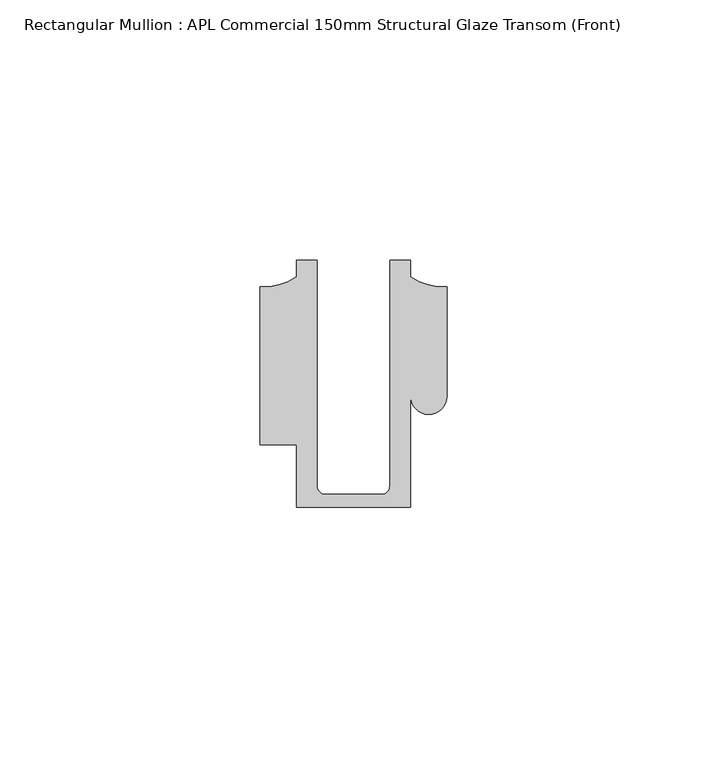
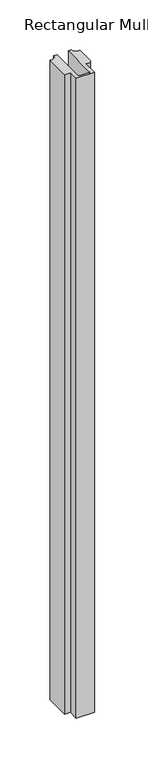
"""IFC4 building model written with IfcOpenShell, lengths in millimetres: member geometry, Rectangular Mullion : APL Commercial 150mm Structural Glaze Transom (Front)."""

from ifc_helpers import new_model, si_unit, frame, origin, place, context, project, spatial, polyline, circle_curve, source, transform, mapped, element, save
from ifc_brep_helpers import plane_surface, cylinder_surface, revolved_surface, advanced_brep


def rectangular_mullion_apl_commercial_150mm_structural_glaze_b3d9e630(model_context):
    return source(origin(), model_context, "Body", "AdvancedBrep", [
        advanced_brep(
        [(-11.0000151, -27.0, 0.0), (11.001071, -27.0, 0.0), (11.001071, -5.5848769, 0.0), (17.9999091, -5.6750512, 0.0), (17.9999542, 15.3797475, 0.0), (11.0000151, 17.3125212, 0.0), (11.0000151, 20.5, 0.0), (6.9999849, 20.5, 0.0), (6.9999849, -22.9973451, 0.0), (5.4999872, -24.5, 0.0), (-5.4999873, -24.5, 0.0), (-6.9999853, -22.9976091, 0.0), (-6.9999853, 20.5, 0.0), (-10.9999994, 20.5, 0.0), (-10.9999994, 17.3125325, 0.0), (-17.9999542, 15.3797475, 0.0), (-17.9999542, -15.0006281, 0.0), (-11.0000151, -15.0006281, 0.0), (-11.0000151, -27.0, -815.4605554), (-11.0000151, -15.0006281, -815.4605554), (-17.9999542, -15.0006281, -815.4605554), (-17.9999542, 15.3797475, -815.4605554), (-10.9999994, 17.3125325, -815.4605554), (-10.9999994, 20.5, -815.4605554), (-6.9999853, 20.5, -815.4605554), (-6.9999853, -22.9976091, -815.4605554), (-5.4999873, -24.5, -815.4605554), (5.4999872, -24.5, -815.4605554), (6.9999849, -22.9973451, -815.4605554), (6.9999849, 20.5, -815.4605554), (11.0000151, 20.5, -815.4605554), (11.0000151, 17.3125212, -815.4605554), (17.9999542, 15.3797475, -815.4605554), (17.9999542, -5.684606, -815.4605554), (11.001071, -5.5848769, -815.4605554), (11.001071, -27.0, -815.4605554)],
        [
            (0, 1),
            (1, 2),
            (2, 3, circle_curve(frame((14.4999091, -5.6750512, 0.0), z_axis=(0.0, 0.0, 1.0), x_axis=(-0.9999826028573957, 0.005898642432633649, 0.0)), 3.5)),
            (3, 4),
            (4, 5, circle_curve(frame((17.109817, 25.7981812, 0.0), z_axis=(0.0, 0.0, -1.0), x_axis=(0.0, -1.0, 0.0)), 10.4563907)),
            (5, 6),
            (6, 7),
            (7, 8),
            (8, 9, circle_curve(frame((5.4999872, -23.0, 0.0), z_axis=(0.0, 0.0, -1.0), x_axis=(0.9999999999999986, 5.463622857820516e-08, 0.0)), 1.5)),
            (9, 10),
            (10, 11, circle_curve(frame((-5.4999873, -23.0, 0.0), z_axis=(0.0, 0.0, -1.0), x_axis=(2.7320010112268853e-08, -0.9999999999999997, 0.0)), 1.5)),
            (11, 12),
            (12, 13),
            (13, 14),
            (14, 15, circle_curve(frame((-17.109817, 25.7981812, 0.0), z_axis=(0.0, 0.0, -1.0), x_axis=(0.0, -1.0, 0.0)), 10.4563907)),
            (15, 16),
            (16, 17),
            (17, 0),
            (18, 19),
            (19, 20),
            (20, 21),
            (21, 22, circle_curve(frame((-17.109817, 25.7981812, -815.4605554), z_axis=(0.0, 0.0, 1.0), x_axis=(0.0, -1.0, 0.0)), 10.4563907)),
            (22, 23),
            (23, 24),
            (24, 25),
            (25, 26, circle_curve(frame((-5.4999873, -23.0, -815.4605554), z_axis=(0.0, 0.0, 1.0), x_axis=(2.7320010112268853e-08, -0.9999999999999997, 0.0)), 1.5)),
            (26, 27),
            (27, 28, circle_curve(frame((5.4999872, -23.0, -815.4605554), z_axis=(0.0, 0.0, 1.0), x_axis=(0.9999999999999986, 5.463622857820516e-08, 0.0)), 1.5)),
            (28, 29),
            (29, 30),
            (30, 31),
            (31, 32, circle_curve(frame((17.109817, 25.7981812, -815.4605554), z_axis=(0.0, 0.0, 1.0), x_axis=(0.0, -1.0, 0.0)), 10.4563907)),
            (32, 33),
            (33, 34, circle_curve(frame((14.4999091, -5.6750512, -815.4605554), z_axis=(0.0, 0.0, -1.0), x_axis=(-0.9999826028573957, 0.005898642432633649, 0.0)), 3.5)),
            (34, 35),
            (35, 18),
            (0, 18),
            (35, 1),
            (34, 2),
            (33, 3),
            (32, 4),
            (31, 5),
            (30, 6),
            (29, 7),
            (28, 8),
            (27, 9),
            (26, 10),
            (25, 11),
            (24, 12),
            (23, 13),
            (22, 14),
            (21, 15),
            (20, 16),
            (19, 17),
        ],
        [
            plane_surface(frame((0.0, -29.1551636, 0.0), z_axis=(0.0, 0.0, 1.0), x_axis=(-1.0, 0.0, 0.0))),
            plane_surface(frame((0.0, -29.1551636, -815.4605554), z_axis=(0.0, 0.0, -1.0), x_axis=(-1.0, 0.0, 0.0))),
            plane_surface(frame((-11.0000151, -27.0, 0.0), z_axis=(0.0, -1.0, 0.0), x_axis=(0.0, 0.0, -1.0))),
            plane_surface(frame((11.001071, -27.0, 0.0), z_axis=(1.0, 0.0, 0.0), x_axis=(0.0, 0.0, -1.0))),
            cylinder_surface(frame((14.4999091, -5.6750512, 0.0), z_axis=(0.0, 0.0, 1.0), x_axis=(-0.9999826028573957, 0.005898642432633649, 0.0)), 3.5),
            plane_surface(frame((17.9999542, -5.684606, 0.0), z_axis=(1.0, 0.0, 0.0), x_axis=(0.0, 0.0, -1.0))),
            revolved_surface(polyline([(17.109817, 15.341790499999998, -815.4605554), (17.109817, 15.341790499999998, 0.0)]), (17.109817, 25.7981812, 0.0), (0.0, 0.0, -1.0)),
            plane_surface(frame((11.0000151, 17.3125212, 0.0), z_axis=(1.0, 0.0, 0.0), x_axis=(0.0, 0.0, -1.0))),
            plane_surface(frame((11.0000151, 20.5, 0.0), z_axis=(0.0, 1.0, 0.0), x_axis=(0.0, 0.0, -1.0))),
            plane_surface(frame((6.9999849, 20.5, 0.0), z_axis=(-1.0, 0.0, 0.0), x_axis=(0.0, 0.0, -1.0))),
            revolved_surface(polyline([(6.999987199999998, -22.999999918045656, -815.4605554), (6.999987199999998, -22.999999918045656, 0.0)]), (5.4999872, -23.0, 0.0), (0.0, 0.0, -1.0)),
            plane_surface(frame((5.4999872, -24.5, 0.0), z_axis=(0.0, 1.0, 0.0), x_axis=(0.0, 0.0, -1.0))),
            revolved_surface(polyline([(-5.499987259019985, -24.5, -815.4605554), (-5.499987259019985, -24.5, 0.0)]), (-5.4999873, -23.0, 0.0), (0.0, 0.0, -1.0)),
            plane_surface(frame((-6.9999853, -22.9976091, 0.0), z_axis=(1.0, 0.0, 0.0), x_axis=(0.0, 0.0, -1.0))),
            plane_surface(frame((-6.9999853, 20.5, 0.0), z_axis=(0.0, 1.0, 0.0), x_axis=(0.0, 0.0, -1.0))),
            plane_surface(frame((-10.9999994, 20.5, 0.0), z_axis=(-1.0, 0.0, 0.0), x_axis=(0.0, 0.0, -1.0))),
            revolved_surface(polyline([(-17.109817, 15.341790499999998, -815.4605554), (-17.109817, 15.341790499999998, 0.0)]), (-17.109817, 25.7981812, 0.0), (0.0, 0.0, -1.0)),
            plane_surface(frame((-17.9999542, 15.3797475, 0.0), z_axis=(-1.0, 0.0, 0.0), x_axis=(0.0, 0.0, -1.0))),
            plane_surface(frame((-17.9999542, -15.0006281, 0.0), z_axis=(0.0, -1.0, 0.0), x_axis=(0.0, 0.0, -1.0))),
            plane_surface(frame((-11.0000151, -15.0006281, 0.0), z_axis=(-1.0, 0.0, 0.0), x_axis=(0.0, 0.0, -1.0))),
        ],
        [
            (0, [[1, 2, 3, 4, 5, 6, 7, 8, 9, 10, 11, 12, 13, 14, 15, 16, 17, 18]]),
            (1, [[19, 20, 21, 22, 23, 24, 25, 26, 27, 28, 29, 30, 31, 32, 33, 34, 35, 36]]),
            (2, [[-1, 37, -36, 38]]),
            (3, [[-2, -38, -35, 39]]),
            (4, [[-3, -39, -34, 40]]),
            (5, [[-4, -40, -33, 41]]),
            (6, [[-5, -41, -32, 42]]),
            (7, [[-6, -42, -31, 43]]),
            (8, [[-7, -43, -30, 44]]),
            (9, [[-8, -44, -29, 45]]),
            (10, [[-9, -45, -28, 46]]),
            (11, [[-10, -46, -27, 47]]),
            (12, [[-11, -47, -26, 48]]),
            (13, [[-12, -48, -25, 49]]),
            (14, [[-13, -49, -24, 50]]),
            (15, [[-14, -50, -23, 51]]),
            (16, [[-15, -51, -22, 52]]),
            (17, [[-16, -52, -21, 53]]),
            (18, [[-17, -53, -20, 54]]),
            (19, [[-18, -54, -19, -37]]),
        ],
    ),
    ])


if __name__ == "__main__":
    model = new_model("IFC4")
    model_context = context("Model", 3, world=origin())
    ifc_project = project(units=[si_unit("LENGTHUNIT", "METRE", prefix="MILLI")], contexts=[model_context])
    site = spatial("IfcSite", under=ifc_project)
    building = spatial("IfcBuilding", under=site)
    placement = place(None, origin())
    rectangular_mullion_apl_commercial_150mm_structural_glaze_shape = rectangular_mullion_apl_commercial_150mm_structural_glaze_b3d9e630(model_context)
    element("IfcMember", 1, ObjectType="Rectangular Mullion : APL Commercial 150mm Structural Glaze Transom (Front)", at=placement, inside=building, context=model_context, shape_type="MappedRepresentation", body=[
        mapped(rectangular_mullion_apl_commercial_150mm_structural_glaze_shape, transform((0.0, 0.0, 0.0), x_axis=(1.0, 0.0, 0.0), y_axis=(0.0, 1.0, 0.0), z_axis=(0.0, 0.0, 1.0))),
    ])
    save(model, "model.ifc")
